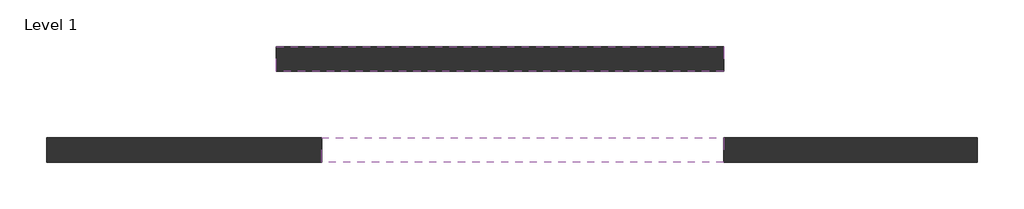
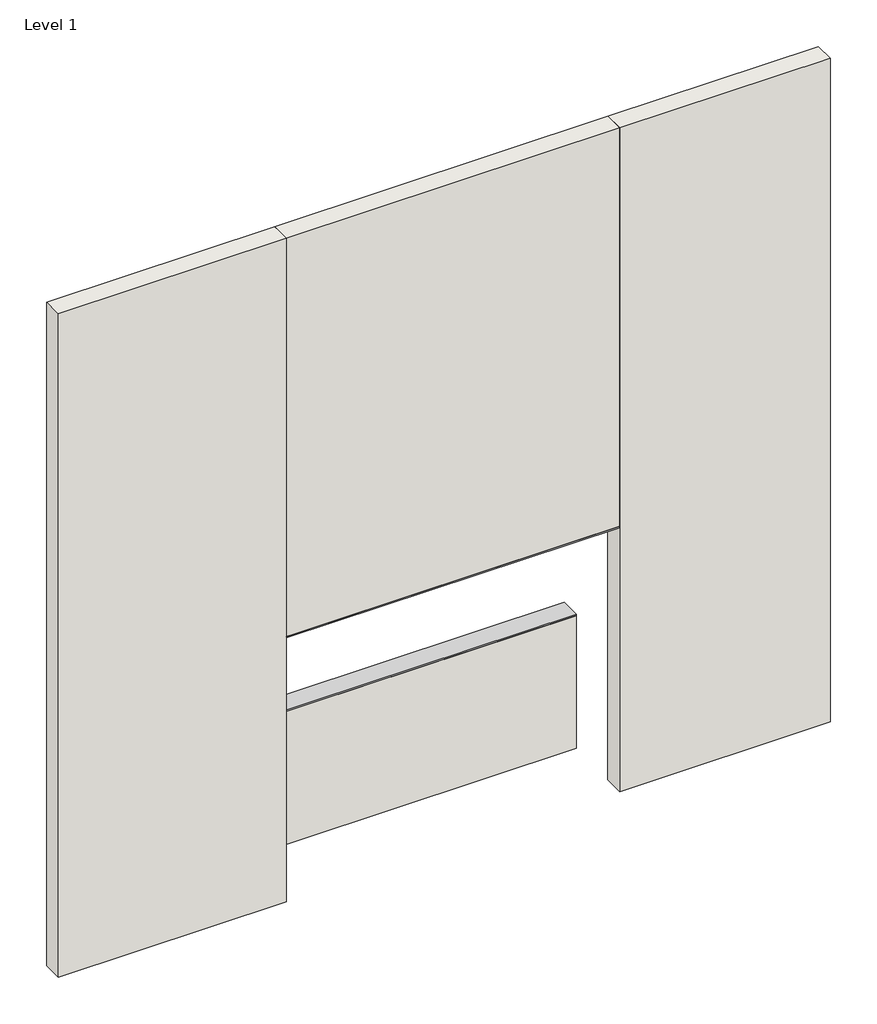
# One storey: 4 walls, 2 proxies.
"""IFC4 building model written with IfcOpenShell, lengths in millimetres."""

from ifc_helpers import new_model, si_unit, frame, origin, origin_with_axes, place, context, project, spatial, polyline, outline, extrude, faceted_brep, element, save

model = new_model("IFC4")

# Units and contexts
model_context = context("Model", 3, world=origin())
ifc_project = project(units=[si_unit("LENGTHUNIT", "METRE", prefix="MILLI")], contexts=[model_context])

# Site, building, storey
site = spatial("IfcSite", under=ifc_project)
building = spatial("IfcBuilding", under=site)
storey = spatial("IfcBuildingStorey", under=building, Name="Level 1", Elevation=0.0)

# Proxies
placement = place(None, origin())
element("IfcBuildingElementProxy", 1, Name="Wall Sweeps", at=placement, inside=storey, context=model_context, shape_type="SweptSolid", body=[
    extrude(outline(polyline([(18374.2114528, 13168.9832827), (18374.2114528, 13346.7832827), (21269.8114528, 13346.7832827), (21269.8114528, 13168.9832827), (18374.2114528, 13168.9832827)])), frame((0.0, 0.0, 2425.7), z_axis=(0.0, 0.0, 1.0), x_axis=(1.0, 0.0, 0.0)), (0.0, 0.0, 1.0), 12.7),
])
element("IfcBuildingElementProxy", 2, Name="Wall Sweeps", at=placement, inside=storey, context=model_context, shape_type="SweptSolid", body=[
    extrude(outline(polyline([(18048.0923397, 13824.7114668), (18048.0923397, 14002.5114668), (21269.8114528, 14002.5114668), (21269.8114528, 13824.7114668), (18048.0923397, 13824.7114668)])), frame((0.0, 0.0, 1219.2), z_axis=(0.0, 0.0, 1.0), x_axis=(1.0, 0.0, 0.0)), (0.0, 0.0, 1.0), 12.7),
])

# Walls
element("IfcWall", 3, at=placement, inside=storey, context=model_context, shape_type="SweptSolid", body=[
    extrude(outline(polyline([(21269.8114528, 13168.9832827), (18374.2114528, 13168.9832827), (18374.2114528, 13346.7832827), (21269.8114528, 13346.7832827), (21269.8114528, 13168.9832827)])), frame((0.0, 0.0, 2438.4), z_axis=(0.0, 0.0, 1.0), x_axis=(1.0, 0.0, 0.0)), (0.0, 0.0, 1.0), 3657.6),
])
element("IfcWall", 4, at=placement, inside=storey, context=model_context, shape_type="SweptSolid", body=[
    extrude(outline(polyline([(21269.8114528, 13824.7114668), (18048.0923397, 13824.7114668), (18048.0923397, 14002.5114668), (21269.8114528, 14002.5114668), (21269.8114528, 13824.7114668)])), origin_with_axes(), (0.0, 0.0, 1.0), 1219.2),
])
element("IfcWall", 5, ObjectType="A6 (1/2\" Gyp) (1/2\" Gyp)", at=placement, inside=storey, context=model_context, shape_type="Brep", body=[
    faceted_brep([(16393.0114528, 13168.9832827, 0.0), (18374.2114528, 13168.9832827, 0.0), (18374.2114528, 13168.9832827, 2438.4), (18374.2114528, 13168.9832827, 6096.0), (16393.0114528, 13168.9832827, 6096.0), (16393.0114528, 13346.7832827, 0.0), (16393.0114528, 13346.7832827, 6096.0), (18374.2114528, 13346.7832827, 6096.0), (18374.2114528, 13346.7832827, 2438.4), (18374.2114528, 13346.7832827, 0.0)], [[[0, 1, 2, 3, 4]], [[5, 6, 7, 8, 9]], [[1, 0, 5, 9]], [[3, 2, 1, 9, 8, 7]], [[4, 3, 7, 6]], [[0, 4, 6, 5]]]),
])
element("IfcWall", 6, ObjectType="A6 (1/2\" Gyp) (1/2\" Gyp)", at=placement, inside=storey, context=model_context, shape_type="Brep", body=[
    faceted_brep([(21269.8114528, 13168.9832827, 0.0), (23098.6114528, 13168.9832827, 0.0), (23098.6114528, 13168.9832827, 6096.0), (21269.8114528, 13168.9832827, 6096.0), (21269.8114528, 13168.9832827, 2438.4), (21269.8114528, 13346.7832827, 0.0), (21269.8114528, 13346.7832827, 2438.4), (21269.8114528, 13346.7832827, 6096.0), (23098.6114528, 13346.7832827, 6096.0), (23098.6114528, 13346.7832827, 0.0)], [[[0, 1, 2, 3, 4]], [[5, 6, 7, 8, 9]], [[1, 0, 5, 9]], [[2, 1, 9, 8]], [[3, 2, 8, 7]], [[0, 4, 3, 7, 6, 5]]]),
])

save(model, "model.ifc")
